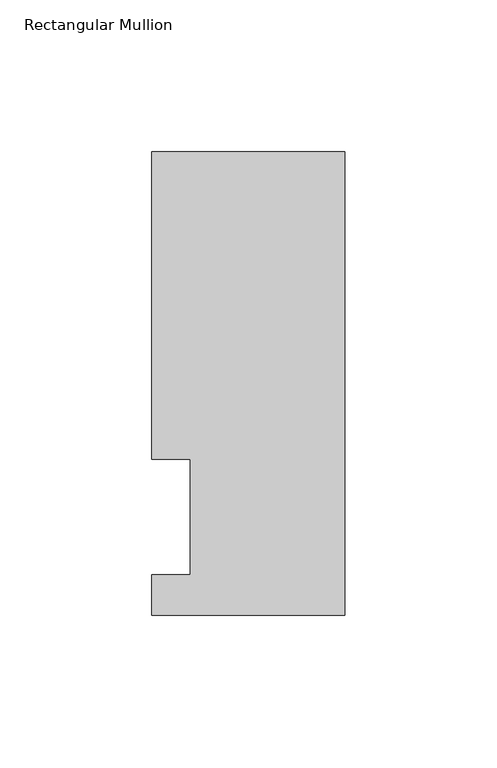
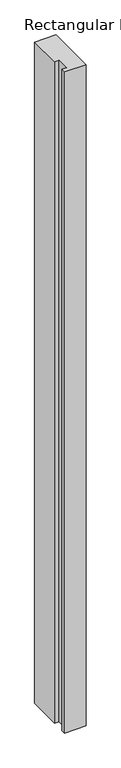
"""IFC4 building model written with IfcOpenShell, lengths in millimetres: member geometry, Rectangular Mullion."""

from ifc_helpers import new_model, si_unit, frame, origin, place, context, project, spatial, polyline, outline, extrude, source, transform, mapped, element, save


def rectangular_mullion_0a62a956(model_context):
    return source(origin(), model_context, "Body", "SweptSolid", [
        extrude(outline(polyline([(-19.05, 51.6929687), (-31.75, 51.6929687), (-31.75, 152.8865688), (31.75, 152.8865688), (31.75, 0.4103688), (-31.75, 0.4103688), (-31.75, 13.5929688), (-19.05, 13.5929688), (-19.05, 51.6929687)])), frame((0.0, 0.0, -2057.4), z_axis=(0.0, 0.0, 1.0), x_axis=(1.0, 0.0, 0.0)), (0.0, 0.0, 1.0), 2057.4),
    ])


if __name__ == "__main__":
    model = new_model("IFC4")
    model_context = context("Model", 3, world=origin())
    ifc_project = project(units=[si_unit("LENGTHUNIT", "METRE", prefix="MILLI")], contexts=[model_context])
    site = spatial("IfcSite", under=ifc_project)
    building = spatial("IfcBuilding", under=site)
    placement = place(None, origin())
    rectangular_mullion_shape = rectangular_mullion_0a62a956(model_context)
    element("IfcMember", 1, ObjectType="Rectangular Mullion", at=placement, inside=building, context=model_context, shape_type="MappedRepresentation", body=[
        mapped(rectangular_mullion_shape, transform((0.0, 0.0, 0.0), x_axis=(1.0, 0.0, 0.0), y_axis=(0.0, 1.0, 0.0), z_axis=(0.0, 0.0, 1.0))),
    ])
    save(model, "model.ifc")
